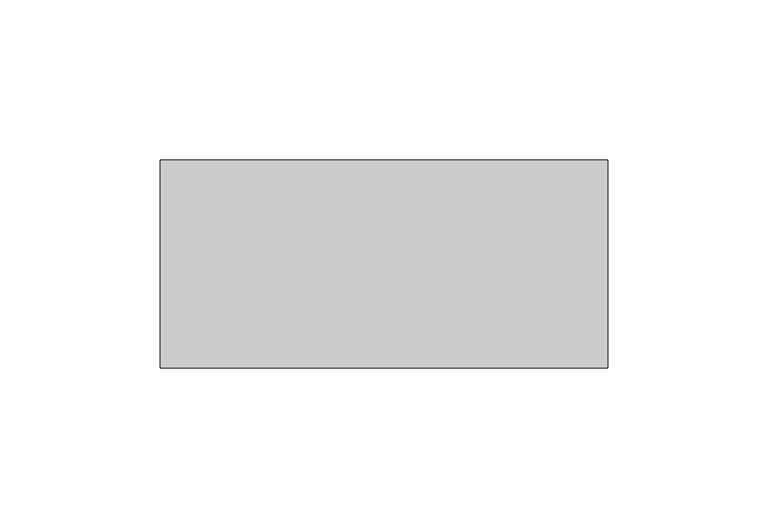
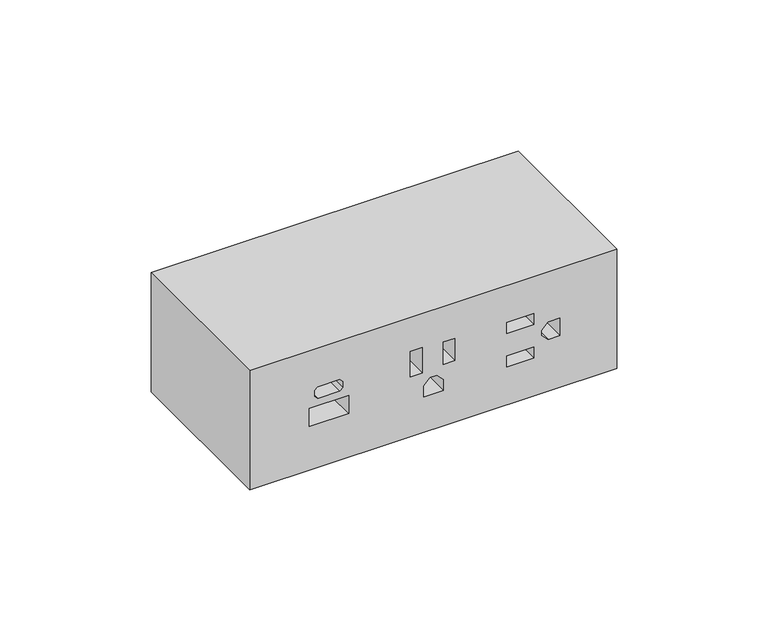
"""IFC4 building model written with IfcOpenShell, lengths in millimetres: furniture geometry."""

from ifc_helpers import new_model, si_unit, origin, place, context, project, spatial, faceted_brep, source, transform, mapped, element, save


def furniture_03c2da46(model_context):
    return source(origin(), model_context, "Body", "Brep", [
        faceted_brep([(70.4032169, 73.3762106, 125.0513514), (70.4032169, 8.3561072, 125.0513514), (70.4032169, 8.3561222, 76.903073), (70.4032169, 73.3762186, 76.903073), (-69.5519668, 73.3762106, 125.0513514), (-69.5519668, 73.3762186, 76.903073), (-69.5519668, 8.3561222, 76.903073), (-69.5519668, 8.3561072, 125.0513514), (28.5094214, 8.3561161, 96.569587), (38.710829, 8.3561161, 96.569587), (38.710829, 8.3561174, 92.1298689), (28.5094214, 8.3561174, 92.1298689), (41.7871038, 8.3561143, 102.1576452), (44.2748971, 8.3561135, 104.6454385), (48.7752129, 8.3561135, 104.6454385), (48.7752129, 8.3561157, 97.6872513), (44.2748971, 8.3561157, 97.6872513), (41.7871038, 8.3561149, 100.1750446), (28.5094214, 8.3561119, 109.9932407), (38.710829, 8.3561119, 109.9932407), (38.710829, 8.3561132, 105.5535226), (28.5094214, 8.3561132, 105.5535226), (-8.2428792, 8.3561147, 101.0093596), (-8.2428792, 8.3561115, 111.2534291), (-3.7742943, 8.3561115, 111.2534291), (-3.7742943, 8.3561147, 101.0093596), (8.6681088, 8.3561145, 101.5738237), (4.3344651, 8.3561145, 101.5738237), (4.3344651, 8.3561117, 110.5482668), (8.6681088, 8.3561117, 110.5482668), (4.3344651, 8.3561178, 90.9993783), (-3.1446433, 8.3561178, 90.9993783), (-3.1446433, 8.3561164, 95.5423513), (-0.6568503, 8.3561156, 98.0301446), (1.8466714, 8.3561156, 98.0301446), (4.3344651, 8.3561164, 95.5423513), (-31.8581216, 8.3561144, 101.8100011), (-31.8581216, 8.3561167, 94.436396), (-46.9493403, 8.3561167, 94.436396), (-46.9493403, 8.3561144, 101.8100011), (-34.083415, 8.3561132, 105.8089576), (-35.2389654, 8.3561135, 104.653414), (-43.6752214, 8.3561135, 104.653414), (-44.8307695, 8.3561132, 105.8089576), (-44.8307695, 8.3561124, 108.2087566), (-43.6752214, 8.3561121, 109.3643002), (-35.2389654, 8.3561121, 109.3643002), (-34.083415, 8.3561124, 108.2087566), (38.710829, 19.0464558, 96.569587), (28.5094214, 19.0464558, 96.569587), (28.5094214, 19.0464558, 92.1298689), (38.710829, 19.0464558, 92.1298689), (44.2748971, 19.0464558, 104.6454385), (41.7871038, 19.0464558, 102.1576452), (41.7871038, 19.0464558, 100.1750446), (44.2748971, 19.0464558, 97.6872513), (48.7752129, 19.0464558, 97.6872513), (48.7752129, 19.0464558, 104.6454385), (38.710829, 19.0464558, 109.9932407), (28.5094214, 19.0464558, 109.9932407), (28.5094214, 19.0464558, 105.5535226), (38.710829, 19.0464558, 105.5535226), (-8.2428792, 19.0464558, 111.2534291), (-8.2428792, 19.0464558, 101.0093596), (-3.7742943, 19.0464558, 101.0093596), (-3.7742943, 19.0464558, 111.2534291), (4.3344651, 19.0464558, 101.5738237), (8.6681088, 19.0464558, 101.5738237), (8.6681088, 19.0464558, 110.5482668), (4.3344651, 19.0464558, 110.5482668), (-3.1446433, 19.0464558, 90.9993783), (4.3344651, 19.0464558, 90.9993783), (4.3344651, 19.0464558, 95.5423513), (1.8466714, 19.0464558, 98.0301446), (-0.6568503, 19.0464558, 98.0301446), (-3.1446433, 19.0464558, 95.5423513), (-31.8581216, 19.0464558, 94.436396), (-31.8581216, 19.0464558, 101.8100011), (-46.9493403, 19.0464558, 101.8100011), (-46.9493403, 19.0464558, 94.436396), (-35.2389654, 19.0464558, 104.653414), (-34.083415, 19.0464558, 105.8089576), (-34.083415, 19.0464558, 108.2087566), (-35.2389654, 19.0464558, 109.3643002), (-43.6752214, 19.0464558, 109.3643002), (-44.8307695, 19.0464558, 108.2087566), (-44.8307695, 19.0464558, 105.8089576), (-43.6752214, 19.0464558, 104.653414)], [[[0, 1, 2, 3]], [[4, 5, 6, 7]], [[1, 0, 4, 7]], [[2, 1, 7, 6], [8, 9, 10, 11], [12, 13, 14, 15, 16, 17], [18, 19, 20, 21], [22, 23, 24, 25], [26, 27, 28, 29], [30, 31, 32, 33, 34, 35], [36, 37, 38, 39], [40, 41, 42, 43, 44, 45, 46, 47]], [[3, 2, 6, 5]], [[0, 3, 5, 4]], [[48, 49, 50, 51]], [[52, 53, 54, 55, 56, 57]], [[58, 59, 60, 61]], [[62, 63, 64, 65]], [[66, 67, 68, 69]], [[70, 71, 72, 73, 74, 75]], [[76, 77, 78, 79]], [[80, 81, 82, 83, 84, 85, 86, 87]], [[49, 48, 9, 8]], [[50, 49, 8, 11]], [[51, 50, 11, 10]], [[48, 51, 10, 9]], [[53, 52, 13, 12]], [[54, 53, 12, 17]], [[55, 54, 17, 16]], [[56, 55, 16, 15]], [[57, 56, 15, 14]], [[52, 57, 14, 13]], [[59, 58, 19, 18]], [[60, 59, 18, 21]], [[61, 60, 21, 20]], [[58, 61, 20, 19]], [[63, 62, 23, 22]], [[64, 63, 22, 25]], [[65, 64, 25, 24]], [[62, 65, 24, 23]], [[67, 66, 27, 26]], [[68, 67, 26, 29]], [[69, 68, 29, 28]], [[66, 69, 28, 27]], [[71, 70, 31, 30]], [[72, 71, 30, 35]], [[73, 72, 35, 34]], [[74, 73, 34, 33]], [[75, 74, 33, 32]], [[70, 75, 32, 31]], [[77, 76, 37, 36]], [[78, 77, 36, 39]], [[79, 78, 39, 38]], [[76, 79, 38, 37]], [[81, 80, 41, 40]], [[82, 81, 40, 47]], [[83, 82, 47, 46]], [[84, 83, 46, 45]], [[85, 84, 45, 44]], [[86, 85, 44, 43]], [[87, 86, 43, 42]], [[80, 87, 42, 41]]]),
    ])


if __name__ == "__main__":
    model = new_model("IFC4")
    model_context = context("Model", 3, world=origin())
    ifc_project = project(units=[si_unit("LENGTHUNIT", "METRE", prefix="MILLI")], contexts=[model_context])
    site = spatial("IfcSite", under=ifc_project)
    building = spatial("IfcBuilding", under=site)
    placement = place(None, origin())
    furniture_shape = furniture_03c2da46(model_context)
    element("IfcFurniture", 1, at=placement, inside=building, context=model_context, shape_type="MappedRepresentation", body=[
        mapped(furniture_shape, transform((0.0, 0.0, 0.0), x_axis=(1.0, 0.0, 0.0), y_axis=(0.0, 1.0, 0.0), z_axis=(0.0, 0.0, 1.0))),
    ])
    save(model, "model.ifc")
